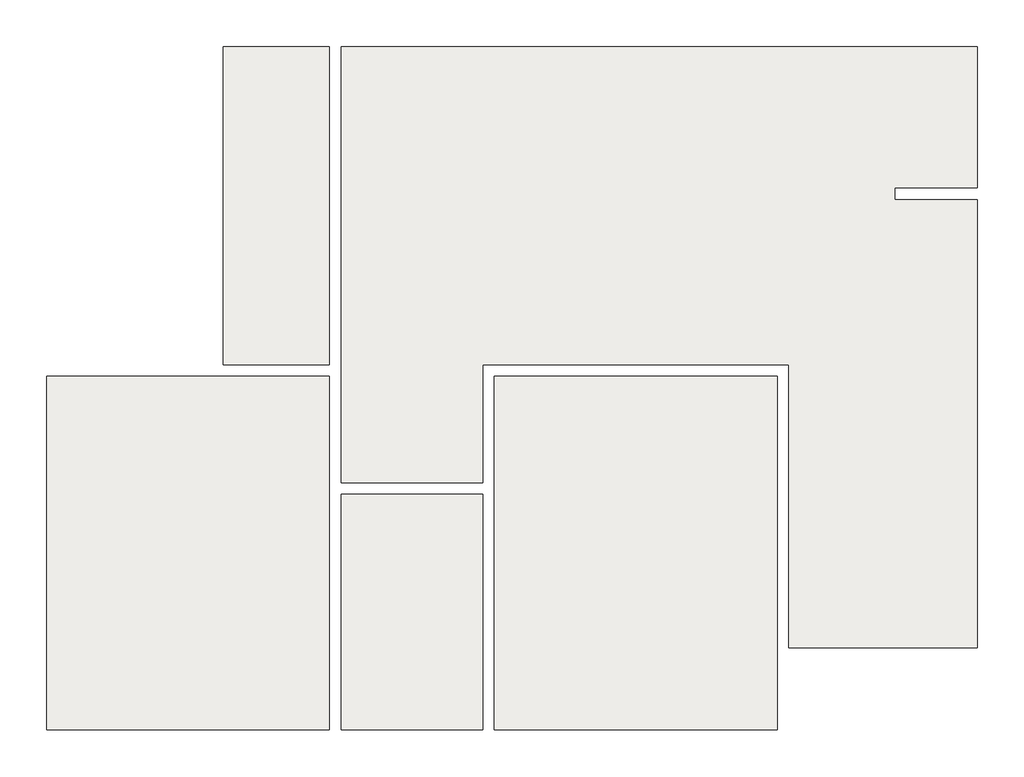
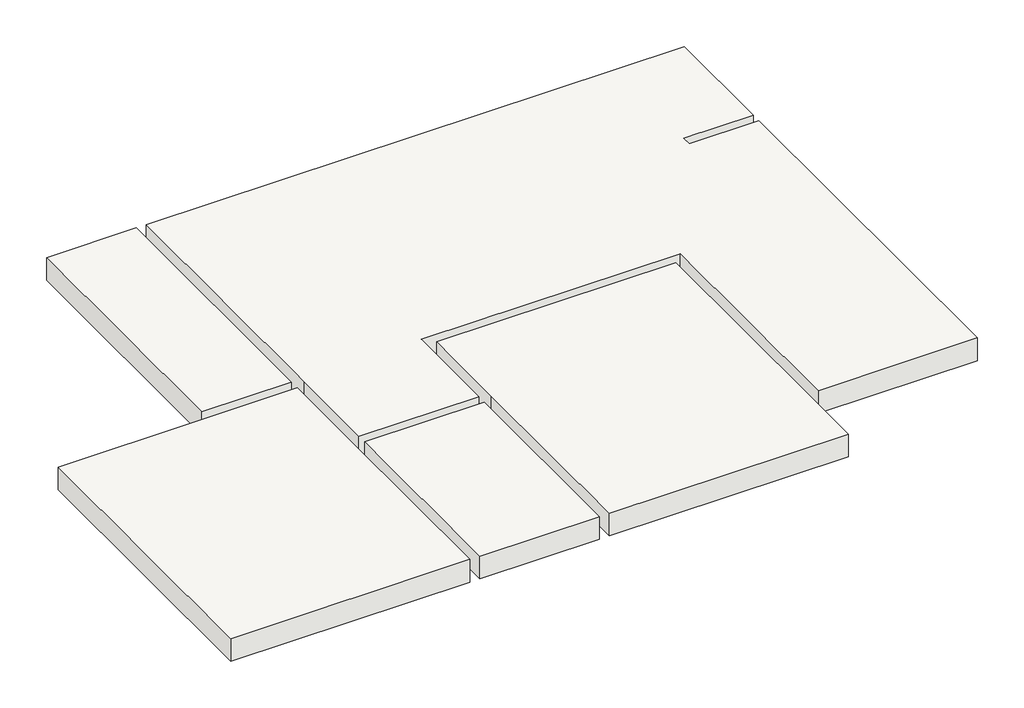
# One storey: 5 slabs.
"""IFC4 building model written with IfcOpenShell, lengths in millimetres."""

from ifc_helpers import new_model, si_unit, frame, origin, place, context, project, spatial, polyline, outline, extrude, element, save

model = new_model("IFC4")

# Units and contexts
model_context = context("Model", 3, world=origin())
ifc_project = project(units=[si_unit("LENGTHUNIT", "METRE", prefix="MILLI")], contexts=[model_context])

# Site, building, storey
site = spatial("IfcSite", under=ifc_project)
building = spatial("IfcBuilding", under=site)
storey = spatial("IfcBuildingStorey", under=building, Elevation=0.0)

# Slabs
placement = place(None, origin())
element("IfcSlab", 1, at=placement, inside=storey, context=model_context, shape_type="SweptSolid", body=[
    extrude(outline(polyline([(100.6127409, 79.5515818), (100.6127409, 3079.5499977), (1550.613052, 3079.5499977), (2500.613052, 3079.5499977), (2500.613052, 2129.5491625), (2500.613052, 79.5515818), (100.6127409, 79.5515818)])), frame((0.0, 0.0, -241.0), z_axis=(0.0, 0.0, 1.0), x_axis=(1.0, 0.0, 0.0)), (0.0, 0.0, 1.0), 241.0),
])
element("IfcSlab", 2, at=placement, inside=storey, context=model_context, shape_type="SweptSolid", body=[
    extrude(outline(polyline([(3800.6121879, 79.5515818), (2600.613052, 79.5515818), (2600.613052, 2079.5491625), (3800.6121879, 2079.5491625), (3800.6121879, 79.5515818)])), frame((0.0, 0.0, -241.0), z_axis=(0.0, 0.0, 1.0), x_axis=(1.0, 0.0, 0.0)), (0.0, 0.0, 1.0), 241.0),
])
element("IfcSlab", 3, at=placement, inside=storey, context=model_context, shape_type="SweptSolid", body=[
    extrude(outline(polyline([(2500.613052, 3179.5499977), (1600.613052, 3179.5499977), (1600.613052, 5879.552466), (2500.613052, 5879.552466), (2500.613052, 3179.5499977)])), frame((0.0, 0.0, -241.0), z_axis=(0.0, 0.0, 1.0), x_axis=(1.0, 0.0, 0.0)), (0.0, 0.0, 1.0), 241.0),
])
element("IfcSlab", 4, at=placement, inside=storey, context=model_context, shape_type="SweptSolid", body=[
    extrude(outline(polyline([(2600.613052, 2179.5491625), (2600.613052, 3129.5499977), (2600.613052, 5879.552466), (8000.6095007, 5879.552466), (8000.6095007, 4679.546507), (7300.6095007, 4679.546507), (7300.6095007, 4579.546507), (8000.6095007, 4579.546507), (8000.6095007, 779.5499488), (6400.6127409, 779.5499488), (6400.6127409, 3179.552466), (3800.6121879, 3179.552466), (3800.6121879, 2179.5491625), (2600.613052, 2179.5491625)])), frame((0.0, 0.0, -241.0), z_axis=(0.0, 0.0, 1.0), x_axis=(1.0, 0.0, 0.0)), (0.0, 0.0, 1.0), 241.0),
])
element("IfcSlab", 5, at=placement, inside=storey, context=model_context, shape_type="SweptSolid", body=[
    extrude(outline(polyline([(6300.6127409, 79.5515818), (3900.6121879, 79.5515818), (3900.6121879, 2129.5491625), (3900.6121879, 3079.552466), (6300.6127409, 3079.552466), (6300.6127409, 729.5499488), (6300.6127409, 79.5515818)])), frame((0.0, 0.0, -241.0), z_axis=(0.0, 0.0, 1.0), x_axis=(1.0, 0.0, 0.0)), (0.0, 0.0, 1.0), 241.0),
])

save(model, "model.ifc")
